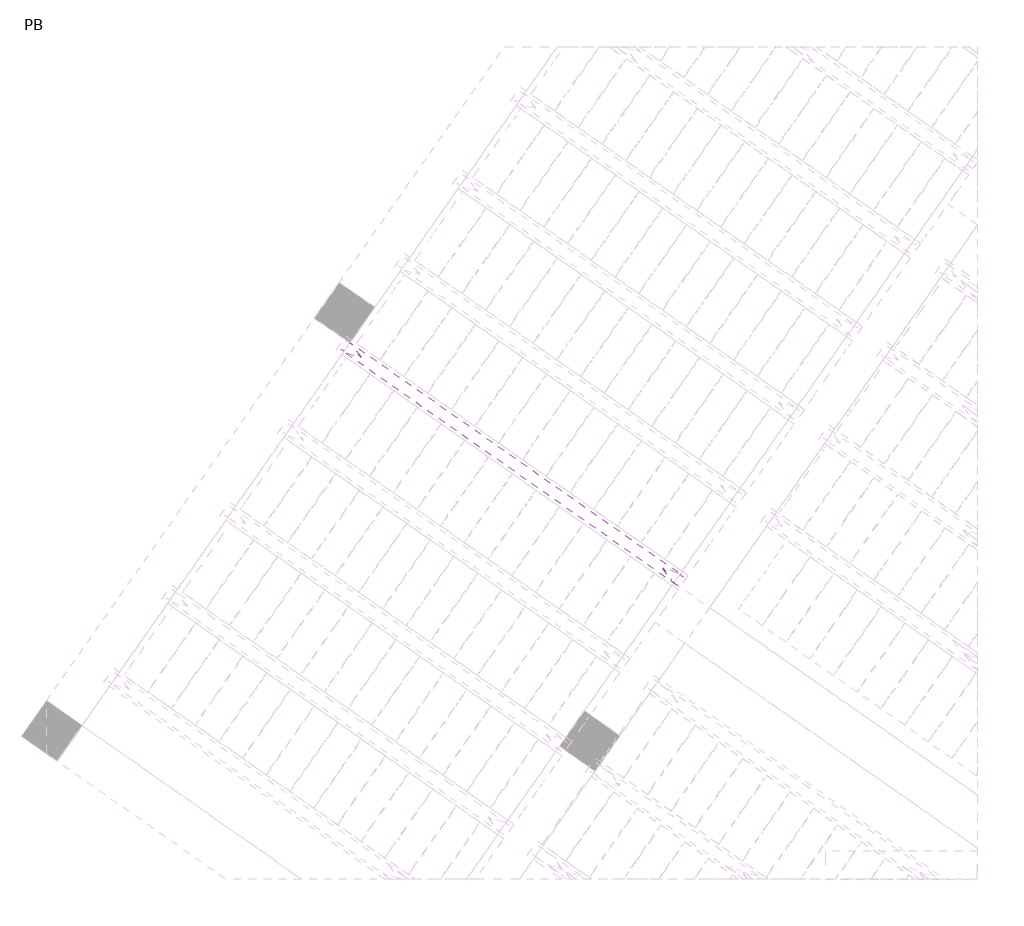
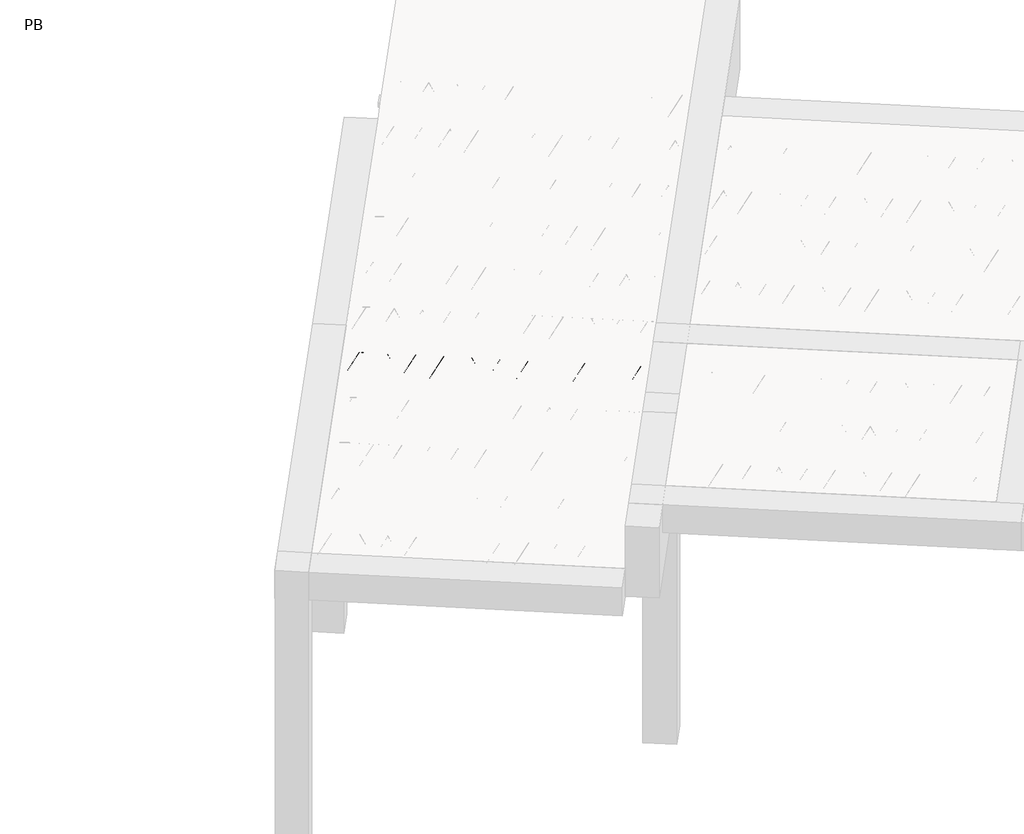
# One storey, part 25 of 56: 2 beams.
"""IFC4 building model written with IfcOpenShell, lengths in millimetres."""

from ifc_helpers import new_model, si_unit, point, frame, origin, origin_2d, place, context, project, spatial, polyline, circle_curve, trimmed, segment, composite_curve, outline, extrude, element, save

model = new_model("IFC4")

# Units and contexts
model_context = context("Model", 3, world=origin())
ifc_project = project(units=[si_unit("LENGTHUNIT", "METRE", prefix="MILLI")], contexts=[model_context])

# Site, building, storey
site = spatial("IfcSite", under=ifc_project)
building = spatial("IfcBuilding", under=site)
storey = spatial("IfcBuildingStorey", under=building, Name="PB", Elevation=95940.0)

# Beams
placement = place(None, origin())
element("IfcBeam", 1, at=placement, inside=storey, context=model_context, shape_type="SweptSolid", body=[
    extrude(outline(polyline([(391.452062, 4963.3698064), (460.2812344, 5061.6680517), (2823.2385882, 3407.1074999), (2754.4094159, 3308.8092546), (391.452062, 4963.3698064)])), frame((0.0, 0.0, 98760.0), z_axis=(0.0, 0.0, 1.0), x_axis=(1.0, 0.0, 0.0)), (0.0, 0.0, 1.0), 50.0),
])
element("IfcBeam", 2, at=placement, inside=storey, context=model_context, shape_type="SweptSolid", body=[
    extrude(outline(composite_curve([segment(trimmed(circle_curve(origin_2d(), 2.5), [point((-2.5000001, 0.0))], [point((2.5, 0.0))], False, "CARTESIAN"), True, "CONTINUOUS"), segment(trimmed(circle_curve(origin_2d(), 2.5), [point((2.5, 0.0))], [point((-2.5000001, 0.0))], False, "CARTESIAN"), True, "CONTINUOUS")], self_intersect=False)), frame((2748.5156013, 3342.2347382, 98785.0), z_axis=(-0.8191520442696126, 0.5735764363787226, 0.0), x_axis=(0.5735764363787226, 0.8191520442696126, 0.0)), (0.0, 0.0, 1.0), 2836.638292),
    extrude(outline(composite_curve([segment(trimmed(circle_curve(origin_2d(), 2.5), [point((-2.5000001, 0.0))], [point((2.5, 0.0))], False, "CARTESIAN"), True, "CONTINUOUS"), segment(trimmed(circle_curve(origin_2d(), 2.5), [point((2.5, 0.0))], [point((-2.5000001, 0.0))], False, "CARTESIAN"), True, "CONTINUOUS")], self_intersect=False)), frame((2672.2429828, 3439.5892858, 99010.0), z_axis=(-0.8191520442696126, 0.5735764363787226, 0.0), x_axis=(0.5735764363787226, 0.8191520442696126, 0.0)), (0.0, 0.0, 1.0), 2600.0),
    extrude(outline(composite_curve([segment(trimmed(circle_curve(origin_2d(), 2.5), [point((-2.5, 0.0))], [point((2.5, 0.0))], False, "CARTESIAN"), True, "CONTINUOUS"), segment(trimmed(circle_curve(origin_2d(), 2.5), [point((2.5, 0.0))], [point((-2.5, 0.0))], False, "CARTESIAN"), True, "CONTINUOUS")], self_intersect=False)), frame((2713.0306345, 3367.0815794, 98785.0), z_axis=(-0.3145304735701046, 0.38933448886848654, 0.8657304643902053), x_axis=(0.7778747638402499, 0.6284193279813057, 0.0)), (0.0, 0.0, 1.0), 259.8961331),
    extrude(outline(composite_curve([segment(trimmed(circle_curve(origin_2d(), 2.5), [point((2.5, 0.0))], [point((-2.5, 0.0))], False, "CARTESIAN"), True, "CONTINUOUS"), segment(trimmed(circle_curve(origin_2d(), 2.5), [point((-2.5, 0.0))], [point((2.5, 0.0))], False, "CARTESIAN"), True, "CONTINUOUS")], self_intersect=False)), frame((2508.2426234, 3510.4756885, 98785.0), z_axis=(0.47343050384693375, -0.16240172737369005, 0.8657304643902051), x_axis=(-0.3244721671091268, -0.9458952440791246, 0.0)), (0.0, 0.0, 1.0), 259.8961331),
    extrude(outline(composite_curve([segment(trimmed(circle_curve(origin_2d(), 2.5), [point((-2.5, 0.0))], [point((2.5, 0.0))], False, "CARTESIAN"), True, "CONTINUOUS"), segment(trimmed(circle_curve(origin_2d(), 2.5), [point((2.5, 0.0))], [point((-2.5, 0.0))], False, "CARTESIAN"), True, "CONTINUOUS")], self_intersect=False)), frame((2508.2426234, 3510.4756885, 98785.0), z_axis=(-0.3145304735701046, 0.38933448886848654, 0.8657304643902053), x_axis=(0.7778747638402499, 0.6284193279813057, 0.0)), (0.0, 0.0, 1.0), 259.8961331),
    extrude(outline(composite_curve([segment(trimmed(circle_curve(origin_2d(), 2.5), [point((2.5, 0.0))], [point((-2.5, 0.0))], False, "CARTESIAN"), True, "CONTINUOUS"), segment(trimmed(circle_curve(origin_2d(), 2.5), [point((-2.5, 0.0))], [point((2.5, 0.0))], False, "CARTESIAN"), True, "CONTINUOUS")], self_intersect=False)), frame((2303.4546123, 3653.8697976, 98785.0), z_axis=(0.47343050384693375, -0.16240172737369005, 0.8657304643902051), x_axis=(-0.3244721671091268, -0.9458952440791246, 0.0)), (0.0, 0.0, 1.0), 259.8961331),
    extrude(outline(composite_curve([segment(trimmed(circle_curve(origin_2d(), 2.5), [point((-2.5, 0.0))], [point((2.5, 0.0))], False, "CARTESIAN"), True, "CONTINUOUS"), segment(trimmed(circle_curve(origin_2d(), 2.5), [point((2.5, 0.0))], [point((-2.5, 0.0))], False, "CARTESIAN"), True, "CONTINUOUS")], self_intersect=False)), frame((2303.4546123, 3653.8697976, 98785.0), z_axis=(-0.3145304735701046, 0.38933448886848654, 0.8657304643902053), x_axis=(0.7778747638402499, 0.6284193279813057, 0.0)), (0.0, 0.0, 1.0), 259.8961331),
    extrude(outline(composite_curve([segment(trimmed(circle_curve(origin_2d(), 2.5), [point((2.5, 0.0))], [point((-2.5, 1e-07))], False, "CARTESIAN"), True, "CONTINUOUS"), segment(trimmed(circle_curve(origin_2d(), 2.5), [point((-2.5, 1e-07))], [point((2.5, 0.0))], False, "CARTESIAN"), True, "CONTINUOUS")], self_intersect=False)), frame((2098.6666012, 3797.2639067, 98785.0), z_axis=(0.47343050384693375, -0.16240172737369005, 0.8657304643902051), x_axis=(-0.3244721671091268, -0.9458952440791246, 0.0)), (0.0, 0.0, 1.0), 259.8961331),
    extrude(outline(composite_curve([segment(trimmed(circle_curve(origin_2d(), 2.5), [point((-2.5, 0.0))], [point((2.5, 0.0))], False, "CARTESIAN"), True, "CONTINUOUS"), segment(trimmed(circle_curve(origin_2d(), 2.5), [point((2.5, 0.0))], [point((-2.5, 0.0))], False, "CARTESIAN"), True, "CONTINUOUS")], self_intersect=False)), frame((2098.6666012, 3797.2639067, 98785.0), z_axis=(-0.3145304735701046, 0.38933448886848654, 0.8657304643902053), x_axis=(0.7778747638402499, 0.6284193279813057, 0.0)), (0.0, 0.0, 1.0), 259.8961331),
    extrude(outline(composite_curve([segment(trimmed(circle_curve(origin_2d(), 2.5), [point((2.5, 0.0))], [point((-2.5, 0.0))], False, "CARTESIAN"), True, "CONTINUOUS"), segment(trimmed(circle_curve(origin_2d(), 2.5), [point((-2.5, 0.0))], [point((2.5, 0.0))], False, "CARTESIAN"), True, "CONTINUOUS")], self_intersect=False)), frame((1893.8785902, 3940.6580158, 98785.0), z_axis=(0.47343050384693375, -0.16240172737369005, 0.8657304643902051), x_axis=(-0.3244721671091268, -0.9458952440791246, 0.0)), (0.0, 0.0, 1.0), 259.8961331),
    extrude(outline(composite_curve([segment(trimmed(circle_curve(origin_2d(), 2.5), [point((-2.5, 0.0))], [point((2.5, 0.0))], False, "CARTESIAN"), True, "CONTINUOUS"), segment(trimmed(circle_curve(origin_2d(), 2.5), [point((2.5, 0.0))], [point((-2.5, 0.0))], False, "CARTESIAN"), True, "CONTINUOUS")], self_intersect=False)), frame((1893.87859, 3940.6580159, 98785.0), z_axis=(-0.3145304735701046, 0.38933448886848654, 0.8657304643902053), x_axis=(0.7778747638402499, 0.6284193279813057, 0.0)), (0.0, 0.0, 1.0), 259.8961331),
    extrude(outline(composite_curve([segment(trimmed(circle_curve(origin_2d(), 2.5), [point((2.5, 0.0))], [point((-2.5, 1e-07))], False, "CARTESIAN"), True, "CONTINUOUS"), segment(trimmed(circle_curve(origin_2d(), 2.5), [point((-2.5, 1e-07))], [point((2.5, 0.0))], False, "CARTESIAN"), True, "CONTINUOUS")], self_intersect=False)), frame((1689.0905789, 4084.052125, 98785.0), z_axis=(0.47343050384693375, -0.16240172737369005, 0.8657304643902051), x_axis=(-0.3244721671091268, -0.9458952440791246, 0.0)), (0.0, 0.0, 1.0), 259.8961331),
    extrude(outline(composite_curve([segment(trimmed(circle_curve(origin_2d(), 2.5), [point((-2.5, 0.0))], [point((2.5, 0.0))], False, "CARTESIAN"), True, "CONTINUOUS"), segment(trimmed(circle_curve(origin_2d(), 2.5), [point((2.5, 0.0))], [point((-2.5, 0.0))], False, "CARTESIAN"), True, "CONTINUOUS")], self_intersect=False)), frame((1689.0905789, 4084.052125, 98785.0), z_axis=(-0.3145304735701046, 0.38933448886848654, 0.8657304643902053), x_axis=(0.7778747638402499, 0.6284193279813057, 0.0)), (0.0, 0.0, 1.0), 259.8961331),
    extrude(outline(composite_curve([segment(trimmed(circle_curve(origin_2d(), 2.5), [point((2.5, 0.0))], [point((-2.5, 0.0))], False, "CARTESIAN"), True, "CONTINUOUS"), segment(trimmed(circle_curve(origin_2d(), 2.5), [point((-2.5, 0.0))], [point((2.5, 0.0))], False, "CARTESIAN"), True, "CONTINUOUS")], self_intersect=False)), frame((1484.3025679, 4227.4462341, 98785.0), z_axis=(0.47343050384693375, -0.16240172737369005, 0.8657304643902051), x_axis=(-0.3244721671091268, -0.9458952440791246, 0.0)), (0.0, 0.0, 1.0), 259.8961331),
    extrude(outline(composite_curve([segment(trimmed(circle_curve(origin_2d(), 2.5), [point((-2.5, 0.0))], [point((2.5, 0.0))], False, "CARTESIAN"), True, "CONTINUOUS"), segment(trimmed(circle_curve(origin_2d(), 2.5), [point((2.5, 0.0))], [point((-2.5, 0.0))], False, "CARTESIAN"), True, "CONTINUOUS")], self_intersect=False)), frame((1484.3025679, 4227.4462341, 98785.0), z_axis=(-0.3145304735701046, 0.38933448886848654, 0.8657304643902053), x_axis=(0.7778747638402499, 0.6284193279813057, 0.0)), (0.0, 0.0, 1.0), 259.8961331),
    extrude(outline(composite_curve([segment(trimmed(circle_curve(origin_2d(), 2.5), [point((2.5, 0.0))], [point((-2.5, 0.0))], False, "CARTESIAN"), True, "CONTINUOUS"), segment(trimmed(circle_curve(origin_2d(), 2.5), [point((-2.5, 0.0))], [point((2.5, 0.0))], False, "CARTESIAN"), True, "CONTINUOUS")], self_intersect=False)), frame((1279.5145568, 4370.8403432, 98785.0), z_axis=(0.47343050384693375, -0.16240172737369005, 0.8657304643902051), x_axis=(-0.3244721671091268, -0.9458952440791246, 0.0)), (0.0, 0.0, 1.0), 259.8961331),
    extrude(outline(composite_curve([segment(trimmed(circle_curve(origin_2d(), 2.5), [point((-2.5, 0.0))], [point((2.5, 0.0))], False, "CARTESIAN"), True, "CONTINUOUS"), segment(trimmed(circle_curve(origin_2d(), 2.5), [point((2.5, 0.0))], [point((-2.5, 0.0))], False, "CARTESIAN"), True, "CONTINUOUS")], self_intersect=False)), frame((1279.5145568, 4370.8403432, 98785.0), z_axis=(-0.3145304735701046, 0.38933448886848654, 0.8657304643902053), x_axis=(0.7778747638402499, 0.6284193279813057, 0.0)), (0.0, 0.0, 1.0), 259.8961331),
    extrude(outline(composite_curve([segment(trimmed(circle_curve(origin_2d(), 2.5), [point((2.5, 0.0))], [point((-2.5, 1e-07))], False, "CARTESIAN"), True, "CONTINUOUS"), segment(trimmed(circle_curve(origin_2d(), 2.5), [point((-2.5, 1e-07))], [point((2.5, 0.0))], False, "CARTESIAN"), True, "CONTINUOUS")], self_intersect=False)), frame((1074.7265457, 4514.2344523, 98785.0), z_axis=(0.47343050384693375, -0.16240172737369005, 0.8657304643902051), x_axis=(-0.3244721671091268, -0.9458952440791246, 0.0)), (0.0, 0.0, 1.0), 259.8961331),
    extrude(outline(composite_curve([segment(trimmed(circle_curve(origin_2d(), 2.5), [point((-2.5, 0.0))], [point((2.5, 0.0))], False, "CARTESIAN"), True, "CONTINUOUS"), segment(trimmed(circle_curve(origin_2d(), 2.5), [point((2.5, 0.0))], [point((-2.5, 0.0))], False, "CARTESIAN"), True, "CONTINUOUS")], self_intersect=False)), frame((1074.7265457, 4514.2344523, 98785.0), z_axis=(-0.3145304735701046, 0.38933448886848654, 0.8657304643902053), x_axis=(0.7778747638402499, 0.6284193279813057, 0.0)), (0.0, 0.0, 1.0), 259.8961331),
    extrude(outline(composite_curve([segment(trimmed(circle_curve(origin_2d(), 2.5), [point((2.5, 0.0))], [point((-2.5, 0.0))], False, "CARTESIAN"), True, "CONTINUOUS"), segment(trimmed(circle_curve(origin_2d(), 2.5), [point((-2.5, 0.0))], [point((2.5, 0.0))], False, "CARTESIAN"), True, "CONTINUOUS")], self_intersect=False)), frame((869.9385347, 4657.6285614, 98785.0), z_axis=(0.47343050384693375, -0.16240172737369005, 0.8657304643902051), x_axis=(-0.3244721671091268, -0.9458952440791246, 0.0)), (0.0, 0.0, 1.0), 259.8961331),
    extrude(outline(composite_curve([segment(trimmed(circle_curve(origin_2d(), 2.5), [point((-2.5, 0.0))], [point((2.5, 0.0))], False, "CARTESIAN"), True, "CONTINUOUS"), segment(trimmed(circle_curve(origin_2d(), 2.5), [point((2.5, 0.0))], [point((-2.5, 0.0))], False, "CARTESIAN"), True, "CONTINUOUS")], self_intersect=False)), frame((869.9385347, 4657.6285614, 98785.0), z_axis=(-0.3145304735701046, 0.38933448886848654, 0.8657304643902053), x_axis=(0.7778747638402499, 0.6284193279813057, 0.0)), (0.0, 0.0, 1.0), 259.8961331),
    extrude(outline(composite_curve([segment(trimmed(circle_curve(origin_2d(), 2.5), [point((2.5, 0.0))], [point((-2.5, 0.0))], False, "CARTESIAN"), True, "CONTINUOUS"), segment(trimmed(circle_curve(origin_2d(), 2.5), [point((-2.5, 0.0))], [point((2.5, 0.0))], False, "CARTESIAN"), True, "CONTINUOUS")], self_intersect=False)), frame((665.1505236, 4801.0226705, 98785.0), z_axis=(0.47343050384693375, -0.16240172737369005, 0.8657304643902051), x_axis=(-0.3244721671091268, -0.9458952440791246, 0.0)), (0.0, 0.0, 1.0), 259.8961331),
    extrude(outline(composite_curve([segment(trimmed(circle_curve(origin_2d(), 2.5), [point((-2.5, 0.0))], [point((2.5, 0.0))], False, "CARTESIAN"), True, "CONTINUOUS"), segment(trimmed(circle_curve(origin_2d(), 2.5), [point((2.5, 0.0))], [point((-2.5, 0.0))], False, "CARTESIAN"), True, "CONTINUOUS")], self_intersect=False)), frame((665.1505236, 4801.0226705, 98785.0), z_axis=(-0.3145304735701046, 0.38933448886848654, 0.8657304643902053), x_axis=(0.7778747638402499, 0.6284193279813057, 0.0)), (0.0, 0.0, 1.0), 259.8961331),
    extrude(outline(composite_curve([segment(trimmed(circle_curve(origin_2d(), 2.5), [point((2.5, 0.0))], [point((-2.5, 1e-07))], False, "CARTESIAN"), True, "CONTINUOUS"), segment(trimmed(circle_curve(origin_2d(), 2.5), [point((-2.5, 1e-07))], [point((2.5, 0.0))], False, "CARTESIAN"), True, "CONTINUOUS")], self_intersect=False)), frame((460.3625125, 4944.4167796, 98785.0), z_axis=(0.47343050384693375, -0.16240172737369005, 0.8657304643902051), x_axis=(-0.3244721671091268, -0.9458952440791246, 0.0)), (0.0, 0.0, 1.0), 259.8961331),
    extrude(outline(composite_curve([segment(trimmed(circle_curve(origin_2d(), 2.5), [point((-2.5, 0.0))], [point((2.5000001, 0.0))], False, "CARTESIAN"), True, "CONTINUOUS"), segment(trimmed(circle_curve(origin_2d(), 2.5), [point((2.5000001, 0.0))], [point((-2.5, 0.0))], False, "CARTESIAN"), True, "CONTINUOUS")], self_intersect=False)), frame((2789.8131047, 3401.2136853, 98785.0), z_axis=(-0.8191520442696126, 0.5735764363787226, 0.0), x_axis=(0.5735764363787226, 0.8191520442696126, 0.0)), (0.0, 0.0, 1.0), 2836.638292),
    extrude(outline(composite_curve([segment(trimmed(circle_curve(origin_2d(), 2.5), [point((-2.5, 0.0))], [point((2.5, 0.0))], False, "CARTESIAN"), True, "CONTINUOUS"), segment(trimmed(circle_curve(origin_2d(), 2.5), [point((2.5, 0.0))], [point((-2.5, 0.0))], False, "CARTESIAN"), True, "CONTINUOUS")], self_intersect=False)), frame((2754.3281379, 3426.0605266, 98785.0), z_axis=(-0.47343050384693375, 0.16240172737369005, 0.8657304643902051), x_axis=(0.3244721671091268, 0.9458952440791246, 0.0)), (0.0, 0.0, 1.0), 259.8961331),
    extrude(outline(composite_curve([segment(trimmed(circle_curve(origin_2d(), 2.5), [point((2.5, 0.0))], [point((-2.5, 0.0))], False, "CARTESIAN"), True, "CONTINUOUS"), segment(trimmed(circle_curve(origin_2d(), 2.5), [point((-2.5, 0.0))], [point((2.5, 0.0))], False, "CARTESIAN"), True, "CONTINUOUS")], self_intersect=False)), frame((2549.5401268, 3569.4546357, 98785.0), z_axis=(0.3145304735701046, -0.38933448886848654, 0.8657304643902053), x_axis=(-0.7778747638402499, -0.6284193279813057, 0.0)), (0.0, 0.0, 1.0), 259.8961331),
    extrude(outline(composite_curve([segment(trimmed(circle_curve(origin_2d(), 2.5), [point((-2.5, 0.0))], [point((2.5, 0.0))], False, "CARTESIAN"), True, "CONTINUOUS"), segment(trimmed(circle_curve(origin_2d(), 2.5), [point((2.5, 0.0))], [point((-2.5, 0.0))], False, "CARTESIAN"), True, "CONTINUOUS")], self_intersect=False)), frame((2549.5401268, 3569.4546357, 98785.0), z_axis=(-0.47343050384693375, 0.16240172737369005, 0.8657304643902051), x_axis=(0.3244721671091268, 0.9458952440791246, 0.0)), (0.0, 0.0, 1.0), 259.8961331),
    extrude(outline(composite_curve([segment(trimmed(circle_curve(origin_2d(), 2.5), [point((2.5, 0.0))], [point((-2.5, 0.0))], False, "CARTESIAN"), True, "CONTINUOUS"), segment(trimmed(circle_curve(origin_2d(), 2.5), [point((-2.5, 0.0))], [point((2.5, 0.0))], False, "CARTESIAN"), True, "CONTINUOUS")], self_intersect=False)), frame((2344.7521157, 3712.8487448, 98785.0), z_axis=(0.3145304735701046, -0.38933448886848654, 0.8657304643902053), x_axis=(-0.7778747638402499, -0.6284193279813057, 0.0)), (0.0, 0.0, 1.0), 259.8961331),
    extrude(outline(composite_curve([segment(trimmed(circle_curve(origin_2d(), 2.5), [point((-2.5, 0.0))], [point((2.5, 0.0))], False, "CARTESIAN"), True, "CONTINUOUS"), segment(trimmed(circle_curve(origin_2d(), 2.5), [point((2.5, 0.0))], [point((-2.5, 0.0))], False, "CARTESIAN"), True, "CONTINUOUS")], self_intersect=False)), frame((2344.7521157, 3712.8487448, 98785.0), z_axis=(-0.47343050384693375, 0.16240172737369005, 0.8657304643902051), x_axis=(0.3244721671091268, 0.9458952440791246, 0.0)), (0.0, 0.0, 1.0), 259.8961331),
    extrude(outline(composite_curve([segment(trimmed(circle_curve(origin_2d(), 2.5), [point((2.5000001, -1e-07))], [point((-2.5, 0.0))], False, "CARTESIAN"), True, "CONTINUOUS"), segment(trimmed(circle_curve(origin_2d(), 2.5), [point((-2.5, 0.0))], [point((2.5000001, -1e-07))], False, "CARTESIAN"), True, "CONTINUOUS")], self_intersect=False)), frame((2139.9641047, 3856.2428539, 98785.0), z_axis=(0.3145304735701046, -0.38933448886848654, 0.8657304643902053), x_axis=(-0.7778747638402499, -0.6284193279813057, 0.0)), (0.0, 0.0, 1.0), 259.8961331),
    extrude(outline(composite_curve([segment(trimmed(circle_curve(origin_2d(), 2.5), [point((-2.5, 1e-07))], [point((2.5, 0.0))], False, "CARTESIAN"), True, "CONTINUOUS"), segment(trimmed(circle_curve(origin_2d(), 2.5), [point((2.5, 0.0))], [point((-2.5, 1e-07))], False, "CARTESIAN"), True, "CONTINUOUS")], self_intersect=False)), frame((2139.9641047, 3856.2428539, 98785.0), z_axis=(-0.47343050384693375, 0.16240172737369005, 0.8657304643902051), x_axis=(0.3244721671091268, 0.9458952440791246, 0.0)), (0.0, 0.0, 1.0), 259.8961331),
    extrude(outline(composite_curve([segment(trimmed(circle_curve(origin_2d(), 2.5), [point((2.5, 0.0))], [point((-2.5, 0.0))], False, "CARTESIAN"), True, "CONTINUOUS"), segment(trimmed(circle_curve(origin_2d(), 2.5), [point((-2.5, 0.0))], [point((2.5, 0.0))], False, "CARTESIAN"), True, "CONTINUOUS")], self_intersect=False)), frame((1935.1760936, 3999.636963, 98785.0), z_axis=(0.3145304735701046, -0.38933448886848654, 0.8657304643902053), x_axis=(-0.7778747638402499, -0.6284193279813057, 0.0)), (0.0, 0.0, 1.0), 259.8961331),
    extrude(outline(composite_curve([segment(trimmed(circle_curve(origin_2d(), 2.5), [point((-2.5, 0.0))], [point((2.5, 0.0))], False, "CARTESIAN"), True, "CONTINUOUS"), segment(trimmed(circle_curve(origin_2d(), 2.5), [point((2.5, 0.0))], [point((-2.5, 0.0))], False, "CARTESIAN"), True, "CONTINUOUS")], self_intersect=False)), frame((1935.1760934, 3999.6369631, 98785.0), z_axis=(-0.47343050384693375, 0.16240172737369005, 0.8657304643902051), x_axis=(0.3244721671091268, 0.9458952440791246, 0.0)), (0.0, 0.0, 1.0), 259.8961331),
    extrude(outline(composite_curve([segment(trimmed(circle_curve(origin_2d(), 2.5), [point((2.5000001, -1e-07))], [point((-2.5, 0.0))], False, "CARTESIAN"), True, "CONTINUOUS"), segment(trimmed(circle_curve(origin_2d(), 2.5), [point((-2.5, 0.0))], [point((2.5000001, -1e-07))], False, "CARTESIAN"), True, "CONTINUOUS")], self_intersect=False)), frame((1730.3880824, 4143.0310722, 98785.0), z_axis=(0.3145304735701046, -0.38933448886848654, 0.8657304643902053), x_axis=(-0.7778747638402499, -0.6284193279813057, 0.0)), (0.0, 0.0, 1.0), 259.8961331),
    extrude(outline(composite_curve([segment(trimmed(circle_curve(origin_2d(), 2.5), [point((-2.5, 1e-07))], [point((2.5, 0.0))], False, "CARTESIAN"), True, "CONTINUOUS"), segment(trimmed(circle_curve(origin_2d(), 2.5), [point((2.5, 0.0))], [point((-2.5, 1e-07))], False, "CARTESIAN"), True, "CONTINUOUS")], self_intersect=False)), frame((1730.3880824, 4143.0310722, 98785.0), z_axis=(-0.47343050384693375, 0.16240172737369005, 0.8657304643902051), x_axis=(0.3244721671091268, 0.9458952440791246, 0.0)), (0.0, 0.0, 1.0), 259.8961331),
    extrude(outline(composite_curve([segment(trimmed(circle_curve(origin_2d(), 2.5), [point((2.5, 0.0))], [point((-2.5, 0.0))], False, "CARTESIAN"), True, "CONTINUOUS"), segment(trimmed(circle_curve(origin_2d(), 2.5), [point((-2.5, 0.0))], [point((2.5, 0.0))], False, "CARTESIAN"), True, "CONTINUOUS")], self_intersect=False)), frame((1525.6000713, 4286.4251813, 98785.0), z_axis=(0.3145304735701046, -0.38933448886848654, 0.8657304643902053), x_axis=(-0.7778747638402499, -0.6284193279813057, 0.0)), (0.0, 0.0, 1.0), 259.8961331),
    extrude(outline(composite_curve([segment(trimmed(circle_curve(origin_2d(), 2.5), [point((-2.5, 0.0))], [point((2.5, 0.0))], False, "CARTESIAN"), True, "CONTINUOUS"), segment(trimmed(circle_curve(origin_2d(), 2.5), [point((2.5, 0.0))], [point((-2.5, 0.0))], False, "CARTESIAN"), True, "CONTINUOUS")], self_intersect=False)), frame((1525.6000713, 4286.4251813, 98785.0), z_axis=(-0.47343050384693375, 0.16240172737369005, 0.8657304643902051), x_axis=(0.3244721671091268, 0.9458952440791246, 0.0)), (0.0, 0.0, 1.0), 259.8961331),
    extrude(outline(composite_curve([segment(trimmed(circle_curve(origin_2d(), 2.5), [point((2.5, 0.0))], [point((-2.5, 0.0))], False, "CARTESIAN"), True, "CONTINUOUS"), segment(trimmed(circle_curve(origin_2d(), 2.5), [point((-2.5, 0.0))], [point((2.5, 0.0))], False, "CARTESIAN"), True, "CONTINUOUS")], self_intersect=False)), frame((1320.8120602, 4429.8192904, 98785.0), z_axis=(0.3145304735701046, -0.38933448886848654, 0.8657304643902053), x_axis=(-0.7778747638402499, -0.6284193279813057, 0.0)), (0.0, 0.0, 1.0), 259.8961331),
    extrude(outline(composite_curve([segment(trimmed(circle_curve(origin_2d(), 2.5), [point((-2.5, 0.0))], [point((2.5, 0.0))], False, "CARTESIAN"), True, "CONTINUOUS"), segment(trimmed(circle_curve(origin_2d(), 2.5), [point((2.5, 0.0))], [point((-2.5, 0.0))], False, "CARTESIAN"), True, "CONTINUOUS")], self_intersect=False)), frame((1320.8120602, 4429.8192904, 98785.0), z_axis=(-0.47343050384693375, 0.16240172737369005, 0.8657304643902051), x_axis=(0.3244721671091268, 0.9458952440791246, 0.0)), (0.0, 0.0, 1.0), 259.8961331),
    extrude(outline(composite_curve([segment(trimmed(circle_curve(origin_2d(), 2.5), [point((2.5000001, -1e-07))], [point((-2.5, 0.0))], False, "CARTESIAN"), True, "CONTINUOUS"), segment(trimmed(circle_curve(origin_2d(), 2.5), [point((-2.5, 0.0))], [point((2.5000001, -1e-07))], False, "CARTESIAN"), True, "CONTINUOUS")], self_intersect=False)), frame((1116.0240492, 4573.2133995, 98785.0), z_axis=(0.3145304735701046, -0.38933448886848654, 0.8657304643902053), x_axis=(-0.7778747638402499, -0.6284193279813057, 0.0)), (0.0, 0.0, 1.0), 259.8961331),
    extrude(outline(composite_curve([segment(trimmed(circle_curve(origin_2d(), 2.5), [point((-2.5, 1e-07))], [point((2.5, 0.0))], False, "CARTESIAN"), True, "CONTINUOUS"), segment(trimmed(circle_curve(origin_2d(), 2.5), [point((2.5, 0.0))], [point((-2.5, 1e-07))], False, "CARTESIAN"), True, "CONTINUOUS")], self_intersect=False)), frame((1116.0240492, 4573.2133995, 98785.0), z_axis=(-0.47343050384693375, 0.16240172737369005, 0.8657304643902051), x_axis=(0.3244721671091268, 0.9458952440791246, 0.0)), (0.0, 0.0, 1.0), 259.8961331),
    extrude(outline(composite_curve([segment(trimmed(circle_curve(origin_2d(), 2.5), [point((2.5, 0.0))], [point((-2.5, 0.0))], False, "CARTESIAN"), True, "CONTINUOUS"), segment(trimmed(circle_curve(origin_2d(), 2.5), [point((-2.5, 0.0))], [point((2.5, 0.0))], False, "CARTESIAN"), True, "CONTINUOUS")], self_intersect=False)), frame((911.2360381, 4716.6075086, 98785.0), z_axis=(0.3145304735701046, -0.38933448886848654, 0.8657304643902053), x_axis=(-0.7778747638402499, -0.6284193279813057, 0.0)), (0.0, 0.0, 1.0), 259.8961331),
    extrude(outline(composite_curve([segment(trimmed(circle_curve(origin_2d(), 2.5), [point((-2.5, 0.0))], [point((2.5, 0.0))], False, "CARTESIAN"), True, "CONTINUOUS"), segment(trimmed(circle_curve(origin_2d(), 2.5), [point((2.5, 0.0))], [point((-2.5, 0.0))], False, "CARTESIAN"), True, "CONTINUOUS")], self_intersect=False)), frame((911.2360381, 4716.6075086, 98785.0), z_axis=(-0.47343050384693375, 0.16240172737369005, 0.8657304643902051), x_axis=(0.3244721671091268, 0.9458952440791246, 0.0)), (0.0, 0.0, 1.0), 259.8961331),
    extrude(outline(composite_curve([segment(trimmed(circle_curve(origin_2d(), 2.5), [point((2.5, 0.0))], [point((-2.5, 0.0))], False, "CARTESIAN"), True, "CONTINUOUS"), segment(trimmed(circle_curve(origin_2d(), 2.5), [point((-2.5, 0.0))], [point((2.5, 0.0))], False, "CARTESIAN"), True, "CONTINUOUS")], self_intersect=False)), frame((706.448027, 4860.0016177, 98785.0), z_axis=(0.3145304735701046, -0.38933448886848654, 0.8657304643902053), x_axis=(-0.7778747638402499, -0.6284193279813057, 0.0)), (0.0, 0.0, 1.0), 259.8961331),
    extrude(outline(composite_curve([segment(trimmed(circle_curve(origin_2d(), 2.5), [point((-2.5, 0.0))], [point((2.5, 0.0))], False, "CARTESIAN"), True, "CONTINUOUS"), segment(trimmed(circle_curve(origin_2d(), 2.5), [point((2.5, 0.0))], [point((-2.5, 0.0))], False, "CARTESIAN"), True, "CONTINUOUS")], self_intersect=False)), frame((706.448027, 4860.0016177, 98785.0), z_axis=(-0.47343050384693375, 0.16240172737369005, 0.8657304643902051), x_axis=(0.3244721671091268, 0.9458952440791246, 0.0)), (0.0, 0.0, 1.0), 259.8961331),
    extrude(outline(composite_curve([segment(trimmed(circle_curve(origin_2d(), 2.5), [point((2.5000001, -1e-07))], [point((-2.5, 0.0))], False, "CARTESIAN"), True, "CONTINUOUS"), segment(trimmed(circle_curve(origin_2d(), 2.5), [point((-2.5, 0.0))], [point((2.5000001, -1e-07))], False, "CARTESIAN"), True, "CONTINUOUS")], self_intersect=False)), frame((501.660016, 5003.3957268, 98785.0), z_axis=(0.3145304735701046, -0.38933448886848654, 0.8657304643902053), x_axis=(-0.7778747638402499, -0.6284193279813057, 0.0)), (0.0, 0.0, 1.0), 259.8961331),
])

save(model, "model.ifc")
